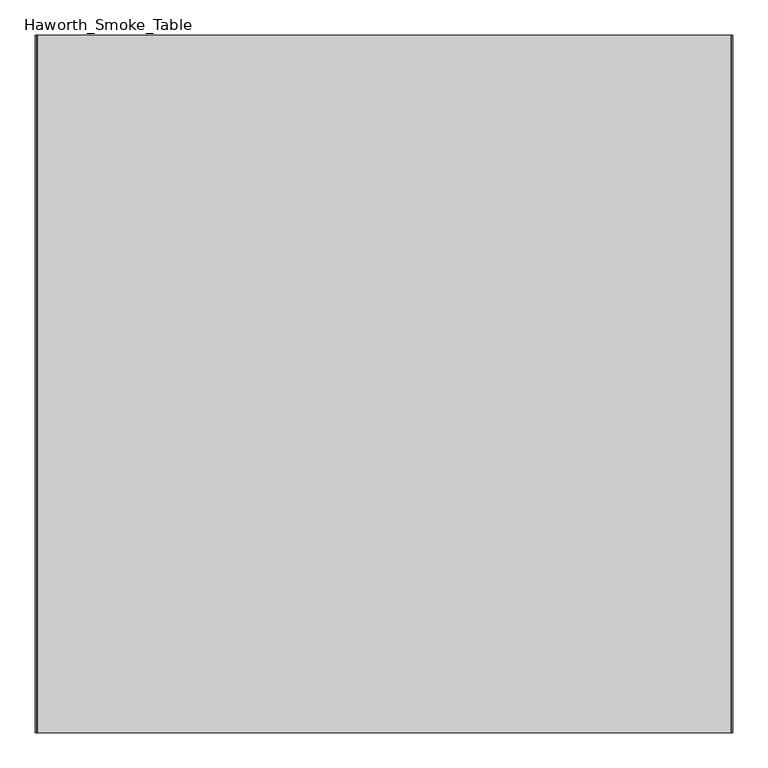
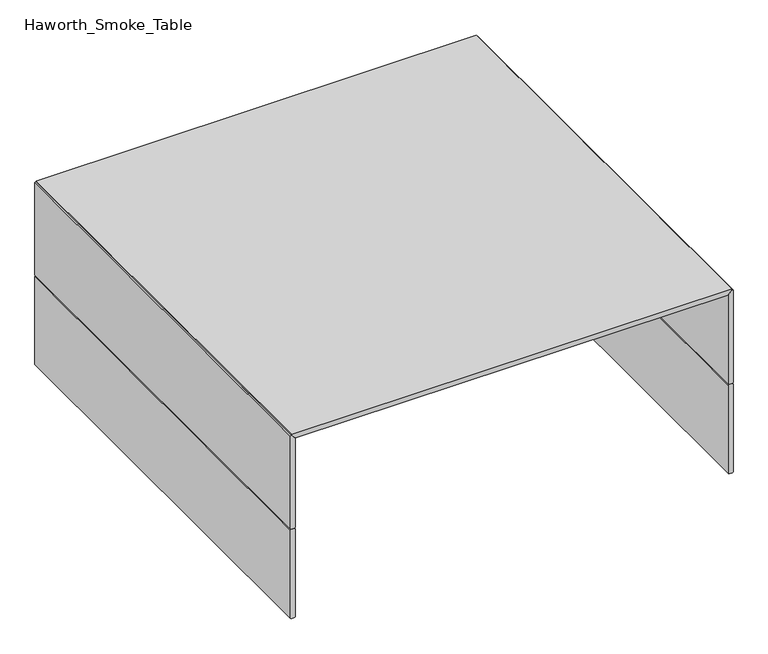
"""IFC4 building model written with IfcOpenShell, lengths in millimetres: furniture geometry, Haworth_Smoke_Table."""

from ifc_helpers import new_model, si_unit, frame, origin, place, context, project, spatial, polyline, outline, extrude, source, transform, mapped, element, save


def haworth_smoke_table_d4fd337d(model_context):
    return source(origin(), model_context, "Body", "SweptSolid", [
        extrude(outline(polyline([(212.725, 488.95), (211.1375, 487.3625), (1.5875, 487.3625), (0.0, 488.95), (0.0, 496.8875), (1.5875, 498.475), (211.1375, 498.475), (212.725, 496.8875), (212.725, 488.95)])), frame((0.0, -502.5049408, 0.0), z_axis=(0.0, 1.0, 0.0), x_axis=(0.0, 0.0, 1.0)), (0.0, 0.0, 1.0), 996.95),
        extrude(outline(polyline([(212.725, -488.95), (212.725, -496.8875), (211.1375, -498.475), (1.5875, -498.475), (0.0, -496.8875), (0.0, -488.95), (1.5875, -487.3625), (211.1375, -487.3625), (212.725, -488.95)])), frame((0.0, -502.5049408, 0.0), z_axis=(0.0, 1.0, 0.0), x_axis=(0.0, 0.0, 1.0)), (0.0, 0.0, 1.0), 996.95),
        extrude(outline(polyline([(212.725, 488.95), (212.725, 496.8875), (214.3125, 498.475), (434.975, 498.475), (436.5625, 496.8875), (427.0375, 487.3625), (214.3125, 487.3625), (212.725, 488.95)])), frame((0.0, -502.5049408, 0.0), z_axis=(0.0, 1.0, 0.0), x_axis=(0.0, 0.0, 1.0)), (0.0, 0.0, 1.0), 996.95),
        extrude(outline(polyline([(212.725, -488.95), (214.3125, -487.3625), (427.0375, -487.3625), (436.5625, -496.8875), (434.975, -498.475), (214.3125, -498.475), (212.725, -496.8875), (212.725, -488.95)])), frame((0.0, -502.5049408, 0.0), z_axis=(0.0, 1.0, 0.0), x_axis=(0.0, 0.0, 1.0)), (0.0, 0.0, 1.0), 996.95),
        extrude(outline(polyline([(436.5625, -496.8875), (427.0375, -487.3625), (427.0375, 487.3625), (436.5625, 496.8875), (438.15, 495.3), (438.15, -495.3), (436.5625, -496.8875)])), frame((0.0, -502.5049408, 0.0), z_axis=(0.0, 1.0, 0.0), x_axis=(0.0, 0.0, 1.0)), (0.0, 0.0, 1.0), 996.95),
    ])


if __name__ == "__main__":
    model = new_model("IFC4")
    model_context = context("Model", 3, world=origin())
    ifc_project = project(units=[si_unit("LENGTHUNIT", "METRE", prefix="MILLI")], contexts=[model_context])
    site = spatial("IfcSite", under=ifc_project)
    building = spatial("IfcBuilding", under=site)
    placement = place(None, origin())
    haworth_smoke_table_shape = haworth_smoke_table_d4fd337d(model_context)
    element("IfcFurniture", 1, ObjectType="Haworth_Smoke_Table", at=placement, inside=building, context=model_context, shape_type="MappedRepresentation", body=[
        mapped(haworth_smoke_table_shape, transform((0.0, 0.0, 0.0), x_axis=(1.0, 0.0, 0.0), y_axis=(0.0, 1.0, 0.0), z_axis=(0.0, 0.0, 1.0))),
    ])
    save(model, "model.ifc")
